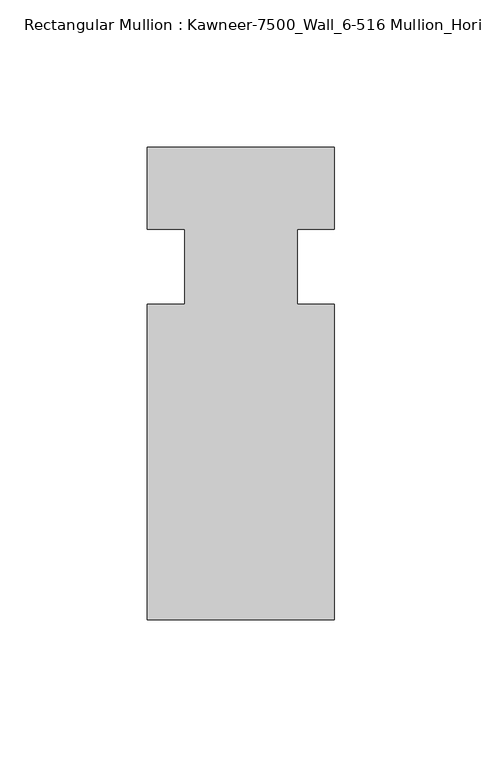
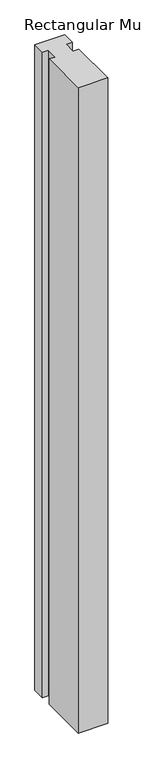
"""IFC4 building model written with IfcOpenShell, lengths in millimetres: member geometry, Rectangular Mullion : Kawneer-7500_Wall_6-516 Mullion_Horizontal."""

from ifc_helpers import new_model, si_unit, frame, origin, place, context, project, spatial, polyline, outline, extrude, source, transform, mapped, element, save


def rectangular_mullion_kawneer_7500_wall_6_516_mullion_fb8f0e66(model_context):
    return source(origin(), model_context, "Body", "SweptSolid", [
        extrude(outline(polyline([(36.0844027, -122.2375), (-27.4155973, -122.2375), (-27.4155973, -15.08125), (-14.7155973, -15.08125), (-14.7155973, 10.31875), (-27.4155973, 10.31875), (-27.4155973, 38.1), (36.0844027, 38.1), (36.0844027, 10.31875), (23.3826322, 10.31875), (23.3826322, -15.08125), (36.0844027, -15.08125), (36.0844027, -122.2375)])), frame((0.0, 0.0, -1460.5), z_axis=(0.0, 0.0, 1.0), x_axis=(1.0, 0.0, 0.0)), (0.0, 0.0, 1.0), 1460.5),
    ])


if __name__ == "__main__":
    model = new_model("IFC4")
    model_context = context("Model", 3, world=origin())
    ifc_project = project(units=[si_unit("LENGTHUNIT", "METRE", prefix="MILLI")], contexts=[model_context])
    site = spatial("IfcSite", under=ifc_project)
    building = spatial("IfcBuilding", under=site)
    placement = place(None, origin())
    rectangular_mullion_kawneer_7500_wall_6_516_mullion_shape = rectangular_mullion_kawneer_7500_wall_6_516_mullion_fb8f0e66(model_context)
    element("IfcMember", 1, ObjectType="Rectangular Mullion : Kawneer-7500_Wall_6-516 Mullion_Horizontal", at=placement, inside=building, context=model_context, shape_type="MappedRepresentation", body=[
        mapped(rectangular_mullion_kawneer_7500_wall_6_516_mullion_shape, transform((0.0, 0.0, 0.0), x_axis=(1.0, 0.0, 0.0), y_axis=(0.0, 1.0, 0.0), z_axis=(0.0, 0.0, 1.0))),
    ])
    save(model, "model.ifc")
